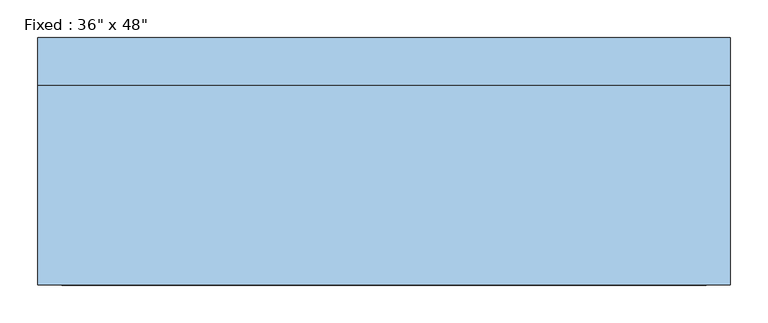
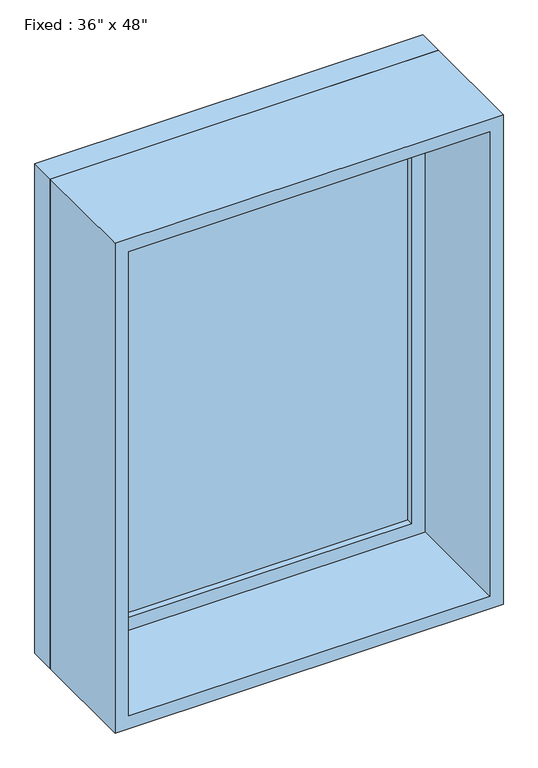
"""IFC4 building model written with IfcOpenShell, lengths in millimetres: window geometry."""

from ifc_helpers import new_model, si_unit, frame, origin, place, context, project, spatial, polyline, outline, extrude, source, transform, mapped, element, save


def window_6815012f(model_context):
    return source(origin(), model_context, "Body", "SweptSolid", [
        extrude(outline(polyline([(355.6, 115.8875), (-431.8, 115.8875), (-431.8, 128.5875), (355.6, 128.5875), (355.6, 115.8875)])), frame((0.0, 0.0, 977.9), z_axis=(0.0, 0.0, 1.0), x_axis=(1.0, 0.0, 0.0)), (0.0, 0.0, 1.0), 1092.2),
        extrude(outline(polyline([(2114.55, -476.25), (933.45, -476.25), (933.45, 400.05), (2114.55, 400.05), (2114.55, -476.25)]), holes=[polyline([(2070.1, -431.8), (2070.1, 355.6), (977.9, 355.6), (977.9, -431.8), (2070.1, -431.8)])]), frame((0.0, 100.0125, 0.0), z_axis=(0.0, 1.0, 0.0), x_axis=(0.0, 0.0, 1.0)), (0.0, 0.0, 1.0), 44.45),
        extrude(outline(polyline([(2133.6, -495.3), (914.4, -495.3), (914.4, 419.1), (2133.6, 419.1), (2133.6, -495.3)]), holes=[polyline([(2101.85, -463.55), (2101.85, 387.35), (946.15, 387.35), (946.15, -463.55), (2101.85, -463.55)])]), frame((0.0, -163.5125, 0.0), z_axis=(0.0, 1.0, 0.0), x_axis=(0.0, 0.0, 1.0)), (0.0, 0.0, 1.0), 263.525),
        extrude(outline(polyline([(2133.6, 419.1), (2133.6, -495.3), (914.4, -495.3), (914.4, 419.1), (2133.6, 419.1)]), holes=[polyline([(2114.55, 400.05), (933.45, 400.05), (933.45, -476.25), (2114.55, -476.25), (2114.55, 400.05)])]), frame((0.0, 100.0125, 0.0), z_axis=(0.0, 1.0, 0.0), x_axis=(0.0, 0.0, 1.0)), (0.0, 0.0, 1.0), 63.5),
    ])


if __name__ == "__main__":
    model = new_model("IFC4")
    model_context = context("Model", 3, world=origin())
    ifc_project = project(units=[si_unit("LENGTHUNIT", "METRE", prefix="MILLI")], contexts=[model_context])
    site = spatial("IfcSite", under=ifc_project)
    building = spatial("IfcBuilding", under=site)
    placement = place(None, origin())
    window_shape = window_6815012f(model_context)
    element("IfcWindow", 1, ObjectType="Fixed : 36\" x 48\"", at=placement, inside=building, context=model_context, shape_type="MappedRepresentation", body=[
        mapped(window_shape, transform((0.0, 0.0, 0.0), x_axis=(1.0, 0.0, 0.0), y_axis=(0.0, 1.0, 0.0), z_axis=(0.0, 0.0, 1.0))),
    ])
    save(model, "model.ifc")
